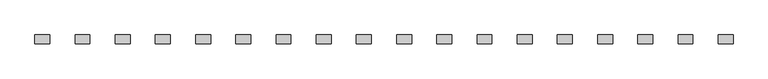
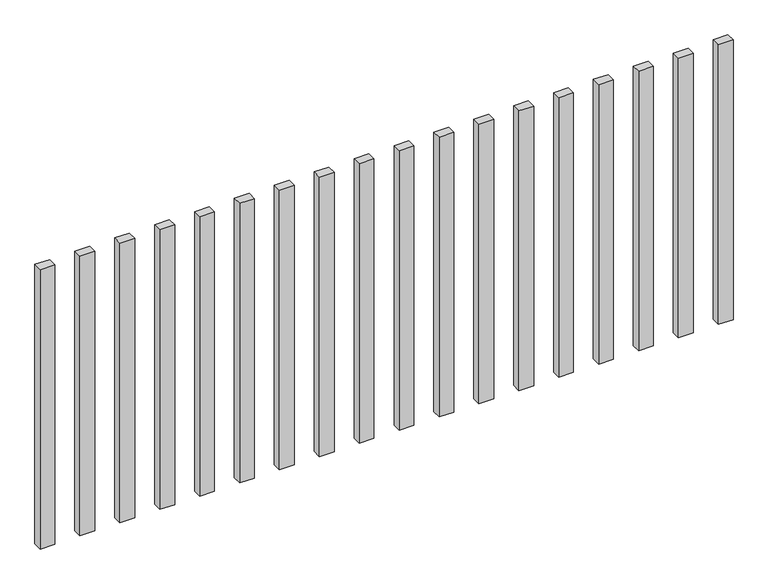
"""IFC4 building model written with IfcOpenShell, lengths in millimetres: railing geometry."""

import ifcopenshell
import ifcopenshell.guid

model = None  # the IFC model being written
_history = None  # IfcOwnerHistory: only IFC2X3 demands one
_inside = {}  # id of a spatial element -> (the spatial element, [elements in it])
_under = {}  # id of a project, library or spatial element -> (it, [spatial elements below it])
_declared = {}  # id of a project -> (the project, [libraries it declares])
_typed = {}  # id of a type object -> (the type object, [elements of that type])
_made_of = {}  # id of a material, layer set ... -> (it, [elements and type objects made of it])


def new_model(schema):
    """Start an empty IFC model of exactly this schema.

    Asked for "IFC4X3", IfcOpenShell would pick the latest addendum, in which some entities
    have other attributes; the version numbers below select the first issue.
    IFC2X3 requires an IfcOwnerHistory on every rooted entity: one is made here for all.
    """
    global model, _history
    if schema == "IFC4X3":
        model = ifcopenshell.file(schema_version=(4, 3, 0, 0))
    else:
        model = ifcopenshell.file(schema=schema)
    _inside.clear()
    _under.clear()
    _declared.clear()
    _typed.clear()
    _made_of.clear()
    _history = None
    if model.schema == "IFC2X3":
        org = make("IfcOrganization", Name="unknown")
        user = make(
            "IfcPersonAndOrganization",
            ThePerson=make("IfcPerson", FamilyName="unknown"),
            TheOrganization=org,
        )
        app = make(
            "IfcApplication",
            ApplicationDeveloper=org,
            Version="unknown",
            ApplicationFullName="unknown",
            ApplicationIdentifier="unknown",
        )
        _history = make(
            "IfcOwnerHistory",
            OwningUser=user,
            OwningApplication=app,
            ChangeAction="ADDED",
            CreationDate=0,
        )
    return model


def make(cls, **values):
    """One entity of the class cls with the attributes given. An attribute that is None is left unset."""
    return model.create_entity(
        cls, **{name: value for name, value in values.items() if value is not None}
    )


def rooted(cls, **values):
    """An entity with a GlobalId (a new one), such as an element, a storey or a relation."""
    return make(cls, GlobalId=ifcopenshell.guid.new(), OwnerHistory=_history, **values)


def si_unit(unit_type, name, prefix=None):
    """IfcSIUnit, for example si_unit("LENGTHUNIT", "METRE", prefix="MILLI")."""
    return make("IfcSIUnit", UnitType=unit_type, Prefix=prefix, Name=name)


def assignment(units):
    """IfcUnitAssignment: the units of a project."""
    return None if units is None else make("IfcUnitAssignment", Units=units)


def point(xyz):
    """IfcCartesianPoint."""
    return None if xyz is None else make("IfcCartesianPoint", Coordinates=xyz)


def direction(xyz):
    """IfcDirection."""
    return None if xyz is None else make("IfcDirection", DirectionRatios=xyz)


def frame(location, z_axis=None, x_axis=None):
    """IfcAxis2Placement3D, a coordinate frame: its origin and axes. An axis left out is left unset."""
    return make(
        "IfcAxis2Placement3D",
        Location=point(location),
        Axis=direction(z_axis),
        RefDirection=direction(x_axis),
    )


def origin():
    """The frame at (0, 0, 0) with its axes left unset."""
    return frame((0.0, 0.0, 0.0))


def origin_with_axes():
    """The frame at (0, 0, 0) with the z axis (0, 0, 1) and the x axis (1, 0, 0) written out."""
    return frame((0.0, 0.0, 0.0), z_axis=(0.0, 0.0, 1.0), x_axis=(1.0, 0.0, 0.0))


def place(relative_to, where):
    """IfcLocalPlacement: puts the frame where relative to a parent placement (None: the world)."""
    return make(
        "IfcLocalPlacement", PlacementRelTo=relative_to, RelativePlacement=where
    )


def context(
    kind, dimensions, precision=None, world=None, true_north=None, identifier=None
):
    """IfcGeometricRepresentationContext, for example the 3D "Model" context."""
    return make(
        "IfcGeometricRepresentationContext",
        ContextIdentifier=identifier,
        ContextType=kind,
        CoordinateSpaceDimension=dimensions,
        Precision=precision,
        WorldCoordinateSystem=world,
        TrueNorth=true_north,
    )


def project(units=None, contexts=None):
    """IfcProject with its units and contexts."""
    return rooted(
        "IfcProject",
        Name="project",
        RepresentationContexts=contexts,
        UnitsInContext=assignment(units),
    )


def spatial(cls, under=None, at=None, **own):
    """A site, building, storey or space (cls), placed at a placement, below another one or the project."""
    s = rooted(cls, ObjectPlacement=at, **own)
    if under is not None:
        _under.setdefault(under.id(), (under, []))[1].append(s)
    return s


def polyline(points):
    """IfcPolyline through the points."""
    return make("IfcPolyline", Points=[point(p) for p in points])


def outline(outer, holes=None, kind="AREA"):
    """IfcArbitraryClosedProfileDef: a profile drawn as a closed curve; with holes, ...WithVoids."""
    if holes is None:
        return make("IfcArbitraryClosedProfileDef", ProfileType=kind, OuterCurve=outer)
    return make(
        "IfcArbitraryProfileDefWithVoids",
        ProfileType=kind,
        OuterCurve=outer,
        InnerCurves=holes,
    )


def extrude(swept, where, along, depth):
    """IfcExtrudedAreaSolid: the profile swept, set in the frame where, extruded along a direction by depth."""
    return make(
        "IfcExtrudedAreaSolid",
        SweptArea=swept,
        Position=where,
        ExtrudedDirection=direction(along),
        Depth=depth,
    )


def shape(context_of_items, identifier, shape_type, items):
    """IfcShapeRepresentation: the items that make up one representation, for example the "Body"."""
    return make(
        "IfcShapeRepresentation",
        ContextOfItems=context_of_items,
        RepresentationIdentifier=identifier,
        RepresentationType=shape_type,
        Items=items,
    )


def source(mapping_origin, context_of_items, identifier, shape_type, items):
    """IfcRepresentationMap: a shape defined once, which mapped items show again and again."""
    return make(
        "IfcRepresentationMap",
        MappingOrigin=mapping_origin,
        MappedRepresentation=shape(context_of_items, identifier, shape_type, items),
    )


def transform(
    local_origin,
    x_axis=None,
    y_axis=None,
    z_axis=None,
    scale=None,
    scale2=None,
    scale3=None,
    uniform=True,
):
    """IfcCartesianTransformationOperator3D, or its non-uniform kind. x_axis, y_axis, z_axis: its Axis1, 2, 3."""
    if uniform:
        return make(
            "IfcCartesianTransformationOperator3D",
            Axis1=direction(x_axis),
            Axis2=direction(y_axis),
            LocalOrigin=point(local_origin),
            Scale=scale,
            Axis3=direction(z_axis),
        )
    return make(
        "IfcCartesianTransformationOperator3DnonUniform",
        Axis1=direction(x_axis),
        Axis2=direction(y_axis),
        LocalOrigin=point(local_origin),
        Scale=scale,
        Axis3=direction(z_axis),
        Scale2=scale2,
        Scale3=scale3,
    )


def mapped(mapping_source, mapping_target):
    """IfcMappedItem: shows the shape of a source again, moved by a transform."""
    return make(
        "IfcMappedItem", MappingSource=mapping_source, MappingTarget=mapping_target
    )


def made_of(thing, what):
    """Note that an element or type object is made of a material, layer set ...; save() writes the relation."""
    if what is not None:
        _made_of.setdefault(what.id(), (what, []))[1].append(thing)
    return thing


def element(
    cls,
    number,
    at=None,
    inside=None,
    cuts=None,
    type_object=None,
    material=None,
    context=None,
    identifier="Body",
    shape_type=None,
    held_by="IfcProductDefinitionShape",
    body=None,
    shapes=None,
    **own,
):
    """One element of the class cls, such as IfcWall. Its Tag is "e" and its number.

    at: its placement. inside: the storey or other place that contains it. cuts: it is an
    opening in that element (IfcRelVoidsElement). A single representation is given by context,
    identifier, shape_type and body (its items); several are given by shapes. held_by: the class
    of the entity that holds the representations. save() writes the other relations.
    """
    e = rooted(cls, Tag="e%d" % number, ObjectPlacement=at, **own)
    if body is not None:
        shapes = [shape(context, identifier, shape_type, body)]
    if shapes is not None:
        e.Representation = make(held_by, Representations=shapes)
    if inside is not None:
        _inside.setdefault(inside.id(), (inside, []))[1].append(e)
    if cuts is not None:
        rooted(
            "IfcRelVoidsElement", RelatingBuildingElement=cuts, RelatedOpeningElement=e
        )
    if type_object is not None:
        _typed.setdefault(type_object.id(), (type_object, []))[1].append(e)
    return made_of(e, material)


def aggregate(whole, parts):
    """IfcRelAggregates: a whole, such as a stair, and the parts it consists of."""
    return rooted("IfcRelAggregates", RelatingObject=whole, RelatedObjects=parts)


def save(model, path):
    """Write the relations noted so far, then the file.

    IfcRelAggregates (storeys below a building ...), IfcRelContainedInSpatialStructure (elements
    in a storey), IfcRelDefinesByType, IfcRelAssociatesMaterial and IfcRelDeclares: one each for
    every whole, place, type object, material and project.
    """
    for whole, parts in _under.values():
        aggregate(whole, parts)
    for where, things in _inside.values():
        rooted(
            "IfcRelContainedInSpatialStructure",
            RelatedElements=things,
            RelatingStructure=where,
        )
    for kind, things in _typed.values():
        rooted("IfcRelDefinesByType", RelatedObjects=things, RelatingType=kind)
    for what, things in _made_of.values():
        rooted("IfcRelAssociatesMaterial", RelatedObjects=things, RelatingMaterial=what)
    for by, libraries in _declared.values():
        rooted("IfcRelDeclares", RelatingContext=by, RelatedDefinitions=libraries)
    model.write(path)


def railing_ab5fc173(model_context):
    return source(origin(), model_context, "Body", "SweptSolid", [
        extrude(outline(polyline([(-5907.5700772, -99444.0267127), (-5907.5700772, -99414.0267127), (-5857.5700772, -99414.0267127), (-5857.5700772, -99444.0267127), (-5907.5700772, -99444.0267127)])), origin_with_axes(), (0.0, 0.0, 1.0), 1000.0),
        extrude(outline(polyline([(-6042.5700772, -99444.0267127), (-6042.5700772, -99414.0267127), (-5992.5700772, -99414.0267127), (-5992.5700772, -99444.0267127), (-6042.5700772, -99444.0267127)])), origin_with_axes(), (0.0, 0.0, 1.0), 1000.0),
        extrude(outline(polyline([(-6177.5700772, -99444.0267127), (-6177.5700772, -99414.0267127), (-6127.5700772, -99414.0267127), (-6127.5700772, -99444.0267127), (-6177.5700772, -99444.0267127)])), origin_with_axes(), (0.0, 0.0, 1.0), 1000.0),
        extrude(outline(polyline([(-6312.5700772, -99444.0267127), (-6312.5700772, -99414.0267127), (-6262.5700772, -99414.0267127), (-6262.5700772, -99444.0267127), (-6312.5700772, -99444.0267127)])), origin_with_axes(), (0.0, 0.0, 1.0), 1000.0),
        extrude(outline(polyline([(-6447.5700772, -99444.0267127), (-6447.5700772, -99414.0267127), (-6397.5700772, -99414.0267127), (-6397.5700772, -99444.0267127), (-6447.5700772, -99444.0267127)])), origin_with_axes(), (0.0, 0.0, 1.0), 1000.0),
        extrude(outline(polyline([(-6582.5700772, -99444.0267127), (-6582.5700772, -99414.0267127), (-6532.5700772, -99414.0267127), (-6532.5700772, -99444.0267127), (-6582.5700772, -99444.0267127)])), origin_with_axes(), (0.0, 0.0, 1.0), 1000.0),
        extrude(outline(polyline([(-6717.5700772, -99444.0267127), (-6717.5700772, -99414.0267127), (-6667.5700772, -99414.0267127), (-6667.5700772, -99444.0267127), (-6717.5700772, -99444.0267127)])), origin_with_axes(), (0.0, 0.0, 1.0), 1000.0),
        extrude(outline(polyline([(-6852.5700772, -99444.0267127), (-6852.5700772, -99414.0267127), (-6802.5700772, -99414.0267127), (-6802.5700772, -99444.0267127), (-6852.5700772, -99444.0267127)])), origin_with_axes(), (0.0, 0.0, 1.0), 1000.0),
        extrude(outline(polyline([(-6987.5700772, -99444.0267127), (-6987.5700772, -99414.0267127), (-6937.5700772, -99414.0267127), (-6937.5700772, -99444.0267127), (-6987.5700772, -99444.0267127)])), origin_with_axes(), (0.0, 0.0, 1.0), 1000.0),
        extrude(outline(polyline([(-7122.5700772, -99444.0267127), (-7122.5700772, -99414.0267127), (-7072.5700772, -99414.0267127), (-7072.5700772, -99444.0267127), (-7122.5700772, -99444.0267127)])), origin_with_axes(), (0.0, 0.0, 1.0), 1000.0),
        extrude(outline(polyline([(-7257.5700772, -99444.0267127), (-7257.5700772, -99414.0267127), (-7207.5700772, -99414.0267127), (-7207.5700772, -99444.0267127), (-7257.5700772, -99444.0267127)])), origin_with_axes(), (0.0, 0.0, 1.0), 1000.0),
        extrude(outline(polyline([(-7392.5700772, -99444.0267127), (-7392.5700772, -99414.0267127), (-7342.5700772, -99414.0267127), (-7342.5700772, -99444.0267127), (-7392.5700772, -99444.0267127)])), origin_with_axes(), (0.0, 0.0, 1.0), 1000.0),
        extrude(outline(polyline([(-7527.5700772, -99444.0267127), (-7527.5700772, -99414.0267127), (-7477.5700772, -99414.0267127), (-7477.5700772, -99444.0267127), (-7527.5700772, -99444.0267127)])), origin_with_axes(), (0.0, 0.0, 1.0), 1000.0),
        extrude(outline(polyline([(-7662.5700772, -99444.0267127), (-7662.5700772, -99414.0267127), (-7612.5700772, -99414.0267127), (-7612.5700772, -99444.0267127), (-7662.5700772, -99444.0267127)])), origin_with_axes(), (0.0, 0.0, 1.0), 1000.0),
        extrude(outline(polyline([(-7797.5700772, -99444.0267127), (-7797.5700772, -99414.0267127), (-7747.5700772, -99414.0267127), (-7747.5700772, -99444.0267127), (-7797.5700772, -99444.0267127)])), origin_with_axes(), (0.0, 0.0, 1.0), 1000.0),
        extrude(outline(polyline([(-7932.5700772, -99444.0267127), (-7932.5700772, -99414.0267127), (-7882.5700772, -99414.0267127), (-7882.5700772, -99444.0267127), (-7932.5700772, -99444.0267127)])), origin_with_axes(), (0.0, 0.0, 1.0), 1000.0),
        extrude(outline(polyline([(-8067.5700772, -99444.0267127), (-8067.5700772, -99414.0267127), (-8017.5700772, -99414.0267127), (-8017.5700772, -99444.0267127), (-8067.5700772, -99444.0267127)])), origin_with_axes(), (0.0, 0.0, 1.0), 1000.0),
        extrude(outline(polyline([(-8202.5700772, -99444.0267127), (-8202.5700772, -99414.0267127), (-8152.5700772, -99414.0267127), (-8152.5700772, -99444.0267127), (-8202.5700772, -99444.0267127)])), origin_with_axes(), (0.0, 0.0, 1.0), 1000.0),
    ])


if __name__ == "__main__":
    model = new_model("IFC4")
    model_context = context("Model", 3, world=origin())
    ifc_project = project(units=[si_unit("LENGTHUNIT", "METRE", prefix="MILLI")], contexts=[model_context])
    site = spatial("IfcSite", under=ifc_project)
    building = spatial("IfcBuilding", under=site)
    placement = place(None, origin())
    railing_shape = railing_ab5fc173(model_context)
    element("IfcRailing", 1, at=placement, inside=building, context=model_context, shape_type="MappedRepresentation", body=[
        mapped(railing_shape, transform((0.0, 0.0, 0.0), x_axis=(1.0, 0.0, 0.0), y_axis=(0.0, 1.0, 0.0), z_axis=(0.0, 0.0, 1.0))),
    ])
    save(model, "model.ifc")
